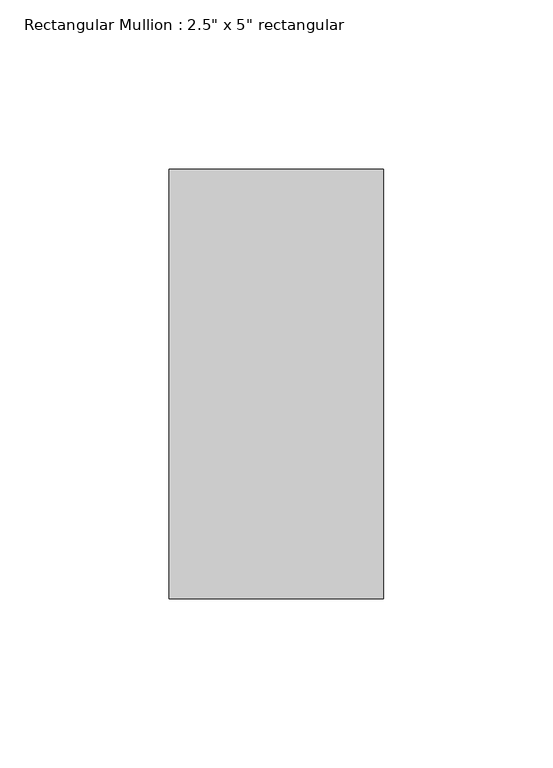
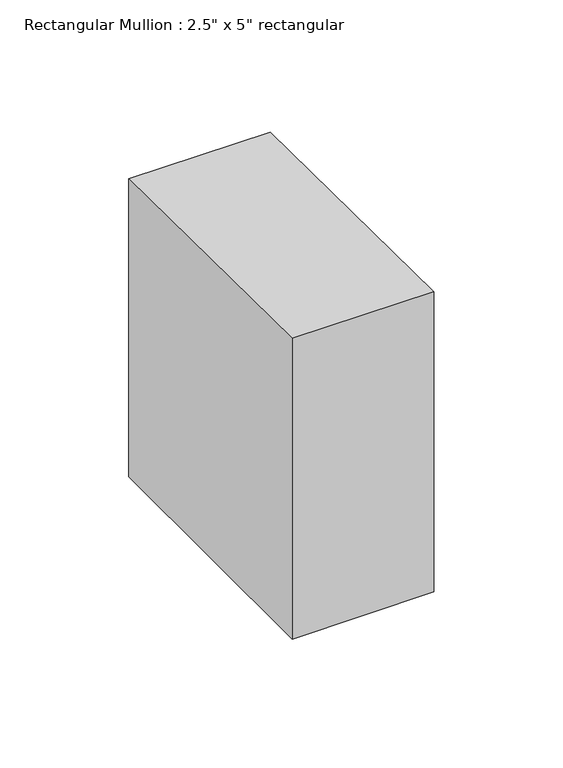
"""IFC4 building model written with IfcOpenShell, lengths in millimetres: member geometry."""

from ifc_helpers import new_model, si_unit, origin, place, context, project, spatial, faceted_brep, source, transform, mapped, element, save


def member_b5071aba(model_context):
    return source(origin(), model_context, "Body", "Brep", [
        faceted_brep([(-63.5, 63.5, -0.5258254), (0.0, 63.5, -0.7519731), (0.0, 63.5, -141.5719234), (-63.5, 63.5, -141.7893023), (-63.5, -63.5, 0.9781208), (-63.5, -63.5, -141.7893023), (0.0, -63.5, 0.7519731), (0.0, -63.5, -141.5719234)], [[[0, 1, 2, 3]], [[4, 0, 3, 5]], [[6, 4, 5, 7]], [[1, 6, 7, 2]], [[1, 0, 4, 6]], [[2, 7, 5, 3]]]),
    ])


if __name__ == "__main__":
    model = new_model("IFC4")
    model_context = context("Model", 3, world=origin())
    ifc_project = project(units=[si_unit("LENGTHUNIT", "METRE", prefix="MILLI")], contexts=[model_context])
    site = spatial("IfcSite", under=ifc_project)
    building = spatial("IfcBuilding", under=site)
    placement = place(None, origin())
    member_shape = member_b5071aba(model_context)
    element("IfcMember", 1, ObjectType="Rectangular Mullion : 2.5\" x 5\" rectangular", at=placement, inside=building, context=model_context, shape_type="MappedRepresentation", body=[
        mapped(member_shape, transform((0.0, 0.0, 0.0), x_axis=(1.0, 0.0, 0.0), y_axis=(0.0, 1.0, 0.0), z_axis=(0.0, 0.0, 1.0))),
    ])
    save(model, "model.ifc")
